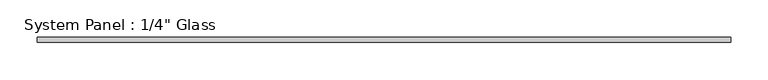
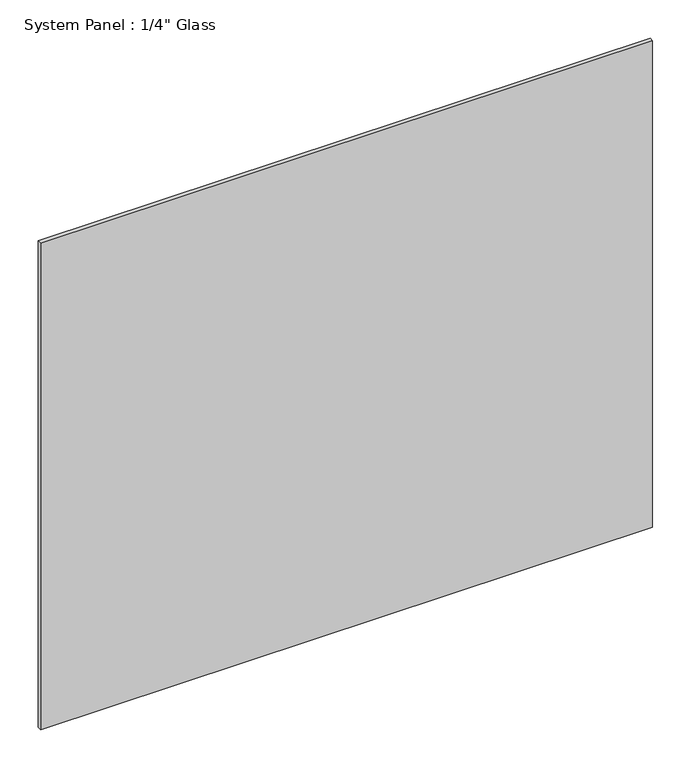
"""IFC4 building model written with IfcOpenShell, lengths in millimetres: plate geometry."""

from ifc_helpers import new_model, si_unit, origin, origin_with_axes, place, context, project, spatial, polyline, outline, extrude, source, transform, mapped, element, save


def plate_50aa4acb(model_context):
    return source(origin(), model_context, "Body", "SweptSolid", [
        extrude(outline(polyline([(463.1158815, -3.175), (-463.1158815, -3.175), (-463.1158815, 3.175), (463.1158815, 3.175), (463.1158815, -3.175)])), origin_with_axes(), (0.0, 0.0, 1.0), 777.875),
    ])


if __name__ == "__main__":
    model = new_model("IFC4")
    model_context = context("Model", 3, world=origin())
    ifc_project = project(units=[si_unit("LENGTHUNIT", "METRE", prefix="MILLI")], contexts=[model_context])
    site = spatial("IfcSite", under=ifc_project)
    building = spatial("IfcBuilding", under=site)
    placement = place(None, origin())
    plate_shape = plate_50aa4acb(model_context)
    element("IfcPlate", 1, ObjectType="System Panel : 1/4\" Glass", at=placement, inside=building, context=model_context, shape_type="MappedRepresentation", body=[
        mapped(plate_shape, transform((0.0, 0.0, 0.0), x_axis=(1.0, 0.0, 0.0), y_axis=(0.0, 1.0, 0.0), z_axis=(0.0, 0.0, 1.0))),
    ])
    save(model, "model.ifc")
